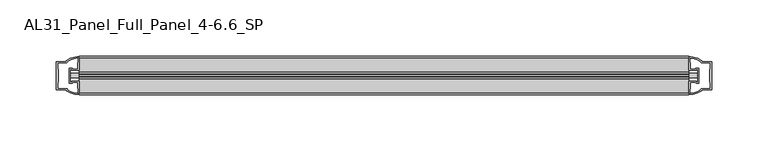
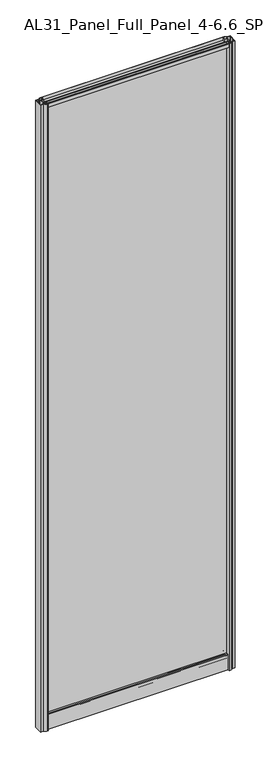
"""IFC4 building model written with IfcOpenShell, lengths in millimetres: plate geometry, AL31_Panel_Full_Panel_4-6.6_SP."""

from ifc_helpers import new_model, si_unit, point, frame, frame_2d, origin, origin_with_axes, place, context, project, spatial, polyline, circle_curve, trimmed, segment, composite_curve, outline, extrude, source, transform, mapped, element, save


def al31_panel_full_panel_4_6_6_sp_70e1a9fb(model_context):
    return source(origin(), model_context, "Body", "SweptSolid", [
        extrude(outline(composite_curve([segment(polyline([(-1.4, 1968.8980762), (-0.85, 1967.9454483)]), True, "CONTINUOUS"), segment(trimmed(circle_curve(frame_2d((0.1, 1966.3)), 1.9), [point((-0.85, 1967.9454483))], [point((1.05, 1967.9454483))], True, "CARTESIAN"), True, "CONTINUOUS"), segment(polyline([(1.05, 1967.9454483), (1.6, 1968.8980762)]), True, "CONTINUOUS"), segment(trimmed(circle_curve(frame_2d((0.1, 1966.3)), 3.0), [point((1.6, 1968.8980762))], [point((2.5718414, 1964.6))], False, "CARTESIAN"), True, "CONTINUOUS"), segment(polyline([(2.5718414, 1964.6), (15.7, 1964.6), (15.7, 1974.0), (17.0, 1974.0), (17.0, 1963.5), (6.7024688, 1963.5), (6.7024688, 1962.7), (6.1968782, 1960.7785039), (6.1968782, 1956.1), (5.0, 1956.1), (5.0, 1961.4339746), (5.5, 1962.3), (5.5, 1963.5), (-5.5, 1963.5), (-5.5, 1962.3), (-5.0, 1961.4339746), (-5.0, 1956.1), (-6.1968782, 1956.1), (-6.1968782, 1960.7785039), (-6.7024688, 1962.7), (-6.7024688, 1963.5), (-17.0, 1963.5), (-17.0, 1974.0), (-15.7, 1974.0), (-15.7, 1964.6), (-2.3718414, 1964.6)]), True, "CONTINUOUS"), segment(trimmed(circle_curve(frame_2d((0.1, 1966.3)), 3.0), [point((-2.3718414, 1964.6))], [point((-1.4, 1968.8980762))], False, "CARTESIAN"), True, "CONTINUOUS")], self_intersect=False)), frame((-270.0, 0.0, 0.0), z_axis=(1.0, 0.0, 0.0), x_axis=(0.0, 1.0, 0.0)), (0.0, 0.0, 1.0), 540.0),
        extrude(outline(composite_curve([segment(polyline([(-277.8414214, -5.9), (-276.6414214, -5.9), (-276.6414214, -5.0), (-270.0, -5.0), (-270.0, -17.0001453)]), True, "CONTINUOUS"), segment(trimmed(circle_curve(frame_2d((-269.6353484, 2.9965302)), 20.0), [point((-270.0, -17.0001453))], [point((-281.3558352, -13.2093388))], False, "CARTESIAN"), True, "CONTINUOUS"), segment(polyline([(-281.3558352, -13.2093388), (-281.3558352, -12.3279343), (-290.0, -12.3279343), (-290.0, 12.3720657), (-281.3558352, 12.3720657), (-281.3558352, 13.2095249)]), True, "CONTINUOUS"), segment(trimmed(circle_curve(frame_2d((-269.6353484, -2.9963441)), 20.0), [point((-281.3558352, 13.2095249))], [point((-270.0, 17.0003314))], False, "CARTESIAN"), True, "CONTINUOUS"), segment(polyline([(-270.0, 17.0003314), (-270.0, 5.0), (-276.6414214, 5.0), (-276.6414214, 5.9), (-277.8414214, 5.9), (-277.8414214, -5.9)]), True, "CONTINUOUS")], self_intersect=False), holes=[composite_curve([segment(trimmed(circle_curve(frame_2d((-276.8414214, 5.7)), 1.5), [point((-276.8414214, 7.2))], [point((-275.4861671, 6.3428731))], False, "CARTESIAN"), True, "CONTINUOUS"), segment(polyline([(-275.4861671, 6.3428731), (-271.7414214, 6.3428731), (-271.7414214, 10.939223), (-271.3020815, 11.9998832), (-271.3020815, 15.6499817)]), True, "CONTINUOUS"), segment(trimmed(circle_curve(frame_2d((-269.6353484, -2.9755921)), 18.7), [point((-271.3020815, 15.6499817))], [point((-279.6421262, 12.8216987))], True, "CARTESIAN"), True, "CONTINUOUS"), segment(trimmed(circle_curve(frame_2d((-281.4414214, 12.8720657)), 1.8), [point((-279.6421262, 12.8216987))], [point((-281.4414214, 11.0720657))], False, "CARTESIAN"), True, "CONTINUOUS"), segment(polyline([(-281.4414214, 11.0720657), (-288.5828427, 11.0720657), (-288.5828427, 6.5019606), (-288.1414214, 5.439223), (-288.1414214, -5.3950916), (-288.6414214, -6.3879987), (-288.6414214, -11.0279343), (-281.4414214, -11.0279343)]), True, "CONTINUOUS"), segment(trimmed(circle_curve(frame_2d((-281.4414214, -12.8279343)), 1.8), [point((-281.4414214, -11.0279343))], [point((-279.6421262, -12.7775673))], False, "CARTESIAN"), True, "CONTINUOUS"), segment(trimmed(circle_curve(frame_2d((-269.6353484, 3.0197235)), 18.7), [point((-279.6421262, -12.7775673))], [point((-271.3020815, -15.6058503))], True, "CARTESIAN"), True, "CONTINUOUS"), segment(polyline([(-271.3020815, -15.6058503), (-271.3020815, -11.9557518), (-271.7414214, -10.8950916), (-271.7414214, -6.2991308), (-275.4662696, -6.2991308)]), True, "CONTINUOUS"), segment(trimmed(circle_curve(frame_2d((-276.8414214, -5.7)), 1.5), [point((-275.4662696, -6.2991308))], [point((-276.8414214, -7.2))], False, "CARTESIAN"), True, "CONTINUOUS"), segment(polyline([(-276.8414214, -7.2), (-279.1414214, -7.2), (-279.1414214, 7.2), (-276.8414214, 7.2)]), True, "CONTINUOUS")], self_intersect=False)]), origin_with_axes(), (0.0, 0.0, 1.0), 1974.0),
        extrude(outline(composite_curve([segment(polyline([(277.8414214, 5.9), (276.6414214, 5.9), (276.6414214, 5.0), (270.0, 5.0), (270.0, 17.0001453)]), True, "CONTINUOUS"), segment(trimmed(circle_curve(frame_2d((269.6353484, -2.9965302)), 20.0), [point((270.0, 17.0001453))], [point((281.3558352, 13.2093388))], False, "CARTESIAN"), True, "CONTINUOUS"), segment(polyline([(281.3558352, 13.2093388), (281.3558352, 12.3279343), (290.0, 12.3279343), (290.0, -12.3720657), (281.3558352, -12.3720657), (281.3558352, -13.2095249)]), True, "CONTINUOUS"), segment(trimmed(circle_curve(frame_2d((269.6353484, 2.9963441)), 20.0), [point((281.3558352, -13.2095249))], [point((270.0, -17.0003314))], False, "CARTESIAN"), True, "CONTINUOUS"), segment(polyline([(270.0, -17.0003314), (270.0, -5.0), (276.6414214, -5.0), (276.6414214, -5.9), (277.8414214, -5.9), (277.8414214, 5.9)]), True, "CONTINUOUS")], self_intersect=False), holes=[composite_curve([segment(trimmed(circle_curve(frame_2d((276.8414214, -5.7)), 1.5), [point((276.8414214, -7.2))], [point((275.4861671, -6.3428731))], False, "CARTESIAN"), True, "CONTINUOUS"), segment(polyline([(275.4861671, -6.3428731), (271.7414214, -6.3428731), (271.7414214, -10.939223), (271.3020815, -11.9998832), (271.3020815, -15.6499817)]), True, "CONTINUOUS"), segment(trimmed(circle_curve(frame_2d((269.6353484, 2.9755921)), 18.7), [point((271.3020815, -15.6499817))], [point((279.6421262, -12.8216987))], True, "CARTESIAN"), True, "CONTINUOUS"), segment(trimmed(circle_curve(frame_2d((281.4414214, -12.8720657)), 1.8), [point((279.6421262, -12.8216987))], [point((281.4414214, -11.0720657))], False, "CARTESIAN"), True, "CONTINUOUS"), segment(polyline([(281.4414214, -11.0720657), (288.5828427, -11.0720657), (288.5828427, -6.5019606), (288.1414214, -5.439223), (288.1414214, 5.3950916), (288.6414214, 6.3879987), (288.6414214, 11.0279343), (281.4414214, 11.0279343)]), True, "CONTINUOUS"), segment(trimmed(circle_curve(frame_2d((281.4414214, 12.8279343)), 1.8), [point((281.4414214, 11.0279343))], [point((279.6421262, 12.7775673))], False, "CARTESIAN"), True, "CONTINUOUS"), segment(trimmed(circle_curve(frame_2d((269.6353484, -3.0197235)), 18.7), [point((279.6421262, 12.7775673))], [point((271.3020815, 15.6058503))], True, "CARTESIAN"), True, "CONTINUOUS"), segment(polyline([(271.3020815, 15.6058503), (271.3020815, 11.9557518), (271.7414214, 10.8950916), (271.7414214, 6.2991308), (275.4662696, 6.2991308)]), True, "CONTINUOUS"), segment(trimmed(circle_curve(frame_2d((276.8414214, 5.7)), 1.5), [point((275.4662696, 6.2991308))], [point((276.8414214, 7.2))], False, "CARTESIAN"), True, "CONTINUOUS"), segment(polyline([(276.8414214, 7.2), (279.1414214, 7.2), (279.1414214, -7.2), (276.8414214, -7.2)]), True, "CONTINUOUS")], self_intersect=False)]), origin_with_axes(), (0.0, 0.0, 1.0), 1974.0),
        extrude(outline(composite_curve([segment(trimmed(circle_curve(frame_2d((-8.4, 34.8)), 1.0), [point((-8.4, 35.8))], [point((-9.4, 34.8))], True, "CARTESIAN"), True, "CONTINUOUS"), segment(polyline([(-9.4, 34.8), (-9.4, 33.5), (-5.0000303, 33.5), (-5.0000303, 32.3), (-9.4, 32.3), (-9.4, 0.0), (-10.6, 0.0), (-10.6, 47.3)]), True, "CONTINUOUS"), segment(trimmed(circle_curve(frame_2d((-8.6, 47.3)), 2.0), [point((-10.6, 47.3))], [point((-8.6, 49.3))], False, "CARTESIAN"), True, "CONTINUOUS"), segment(polyline([(-8.6, 49.3), (-5.0, 49.3), (-5.0, 41.9), (5.0, 41.9), (5.0, 49.3), (8.6, 49.3)]), True, "CONTINUOUS"), segment(trimmed(circle_curve(frame_2d((8.6, 47.3)), 2.0), [point((8.6, 49.3))], [point((10.6, 47.3))], False, "CARTESIAN"), True, "CONTINUOUS"), segment(polyline([(10.6, 47.3), (10.6, 0.0), (9.4, 0.0), (9.4, 32.3), (4.9999697, 32.3), (4.9999697, 33.5), (9.4, 33.5), (9.4, 34.8)]), True, "CONTINUOUS"), segment(trimmed(circle_curve(frame_2d((8.4, 34.8)), 1.0), [point((9.4, 34.8))], [point((8.4, 35.8))], True, "CARTESIAN"), True, "CONTINUOUS"), segment(polyline([(8.4, 35.8), (-8.4, 35.8)]), True, "CONTINUOUS")], self_intersect=False), holes=[composite_curve([segment(trimmed(circle_curve(frame_2d((5.5024688, 41.8)), 1.0), [point((6.5024688, 41.8))], [point((5.5024688, 40.8))], False, "CARTESIAN"), True, "CONTINUOUS"), segment(polyline([(5.5024688, 40.8), (2.8008965, 40.8), (2.8008965, 39.7274194), (1.8370508, 39.7274194)]), True, "CONTINUOUS"), segment(trimmed(circle_curve(frame_2d((0.0, 38.7)), 2.1048387), [point((1.8370508, 39.7274194))], [point((-1.8370508, 39.7274194))], True, "CARTESIAN"), True, "CONTINUOUS"), segment(polyline([(-1.8370508, 39.7274194), (-2.8008965, 39.7274194), (-2.8008965, 40.8), (-5.5024688, 40.8)]), True, "CONTINUOUS"), segment(trimmed(circle_curve(frame_2d((-5.5024688, 41.8)), 1.0), [point((-5.5024688, 40.8))], [point((-6.5024688, 41.8))], False, "CARTESIAN"), True, "CONTINUOUS"), segment(polyline([(-6.5024688, 41.8), (-6.5024688, 42.7)]), True, "CONTINUOUS"), segment(trimmed(circle_curve(frame_2d((-5.3024688, 42.7)), 1.2), [point((-6.5024688, 42.7))], [point((-6.1198184, 43.5786009))], False, "CARTESIAN"), True, "CONTINUOUS"), segment(polyline([(-6.1198184, 43.5786009), (-6.1198184, 48.2), (-8.4, 48.2)]), True, "CONTINUOUS"), segment(trimmed(circle_curve(frame_2d((-8.4, 47.2)), 1.0), [point((-8.4, 48.2))], [point((-9.4, 47.2))], True, "CARTESIAN"), True, "CONTINUOUS"), segment(polyline([(-9.4, 47.2), (-9.4, 37.04), (-2.8008965, 37.04), (-2.8008965, 38.0725806), (-1.8370508, 38.0725806)]), True, "CONTINUOUS"), segment(trimmed(circle_curve(frame_2d((0.0, 39.1)), 2.1048387), [point((-1.8370508, 38.0725806))], [point((1.8370508, 38.0725806))], True, "CARTESIAN"), True, "CONTINUOUS"), segment(polyline([(1.8370508, 38.0725806), (2.8008965, 38.0725806), (2.8008965, 37.04), (9.4, 37.04), (9.4, 47.2)]), True, "CONTINUOUS"), segment(trimmed(circle_curve(frame_2d((8.4, 47.2)), 1.0), [point((9.4, 47.2))], [point((8.4, 48.2))], True, "CARTESIAN"), True, "CONTINUOUS"), segment(polyline([(8.4, 48.2), (6.1198184, 48.2), (6.1198184, 43.7786009)]), True, "CONTINUOUS"), segment(trimmed(circle_curve(frame_2d((5.3024688, 42.9)), 1.2), [point((6.1198184, 43.7786009))], [point((6.5024688, 42.9))], False, "CARTESIAN"), True, "CONTINUOUS"), segment(polyline([(6.5024688, 42.9), (6.5024688, 41.8)]), True, "CONTINUOUS")], self_intersect=False)]), frame((-270.0, 0.0, 0.0), z_axis=(1.0, 0.0, 0.0), x_axis=(0.0, 1.0, 0.0)), (0.0, 0.0, 1.0), 540.0),
        extrude(outline(polyline([(277.8414214, 2.0), (277.8414214, -2.0), (-277.8414214, -2.0), (-277.8414214, 2.0), (277.8414214, 2.0)])), frame((0.0, 0.0, 41.9), z_axis=(0.0, 0.0, 1.0), x_axis=(1.0, 0.0, 0.0)), (0.0, 0.0, 1.0), 1921.6),
    ])


if __name__ == "__main__":
    model = new_model("IFC4")
    model_context = context("Model", 3, world=origin())
    ifc_project = project(units=[si_unit("LENGTHUNIT", "METRE", prefix="MILLI")], contexts=[model_context])
    site = spatial("IfcSite", under=ifc_project)
    building = spatial("IfcBuilding", under=site)
    placement = place(None, origin())
    al31_panel_full_panel_4_6_6_sp_shape = al31_panel_full_panel_4_6_6_sp_70e1a9fb(model_context)
    element("IfcPlate", 1, ObjectType="AL31_Panel_Full_Panel_4-6.6_SP", at=placement, inside=building, context=model_context, shape_type="MappedRepresentation", body=[
        mapped(al31_panel_full_panel_4_6_6_sp_shape, transform((0.0, 0.0, 0.0), x_axis=(1.0, 0.0, 0.0), y_axis=(0.0, 1.0, 0.0), z_axis=(0.0, 0.0, 1.0))),
    ])
    save(model, "model.ifc")
